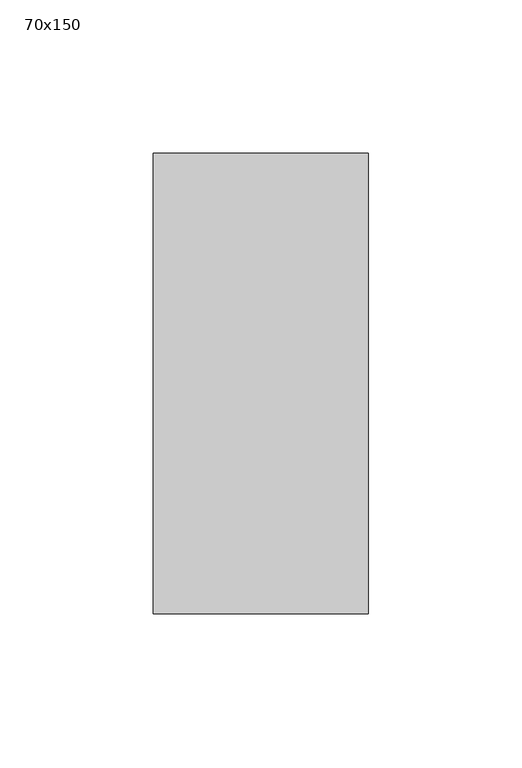
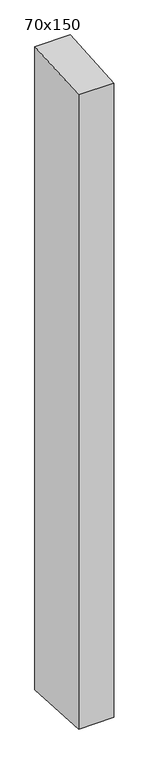
"""IFC4 building model written with IfcOpenShell, lengths in millimetres: member geometry, 70x150."""

from ifc_helpers import new_model, si_unit, frame, origin, place, context, project, spatial, polyline, outline, extrude, source, transform, mapped, element, save


def member_70x150_0e33257c(model_context):
    return source(origin(), model_context, "Body", "SweptSolid", [
        extrude(outline(polyline([(-75.0, -5.0270374), (75.0, 5.0270374), (75.0, -1341.2274395), (-75.0, -1332.6851589), (-75.0, -5.0270374)])), frame((-70.0, 0.0, 0.0), z_axis=(1.0, 0.0, 0.0), x_axis=(0.0, 1.0, 0.0)), (0.0, 0.0, 1.0), 70.0),
    ])


if __name__ == "__main__":
    model = new_model("IFC4")
    model_context = context("Model", 3, world=origin())
    ifc_project = project(units=[si_unit("LENGTHUNIT", "METRE", prefix="MILLI")], contexts=[model_context])
    site = spatial("IfcSite", under=ifc_project)
    building = spatial("IfcBuilding", under=site)
    placement = place(None, origin())
    member_70x150_shape = member_70x150_0e33257c(model_context)
    element("IfcMember", 1, ObjectType="70x150", at=placement, inside=building, context=model_context, shape_type="MappedRepresentation", body=[
        mapped(member_70x150_shape, transform((0.0, 0.0, 0.0), x_axis=(1.0, 0.0, 0.0), y_axis=(0.0, 1.0, 0.0), z_axis=(0.0, 0.0, 1.0))),
    ])
    save(model, "model.ifc")
